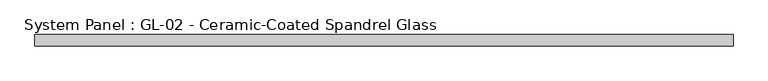
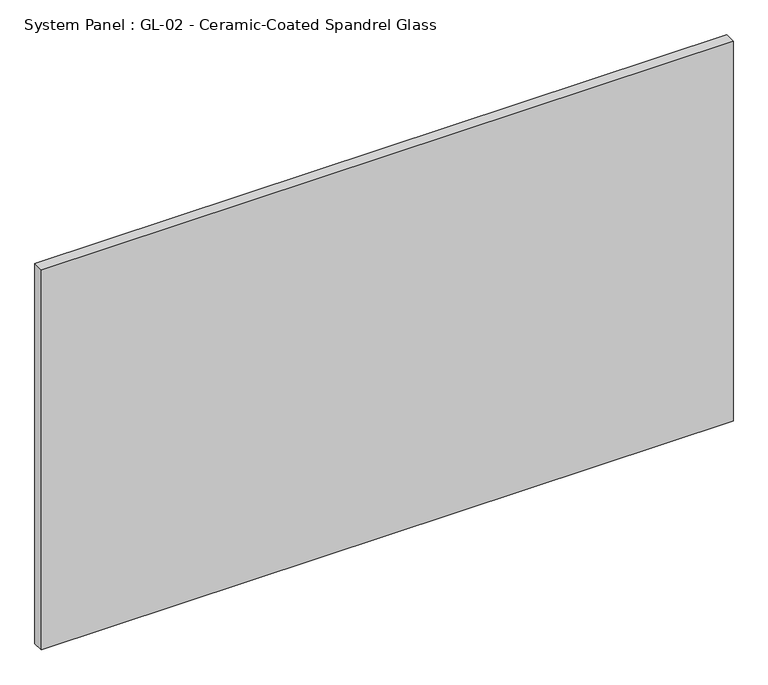
"""IFC4 building model written with IfcOpenShell, lengths in millimetres: plate geometry, System Panel : GL-02 - Ceramic-Coated Spandrel Glass."""

from ifc_helpers import new_model, si_unit, origin, origin_with_axes, place, context, project, spatial, polyline, outline, extrude, source, transform, mapped, element, save


def system_panel_gl_02_ceramic_coated_spandrel_glass_ac9be25a(model_context):
    return source(origin(), model_context, "Body", "SweptSolid", [
        extrude(outline(polyline([(779.4625, 19.05), (-779.4625, 19.05), (-779.4625, 44.45), (779.4625, 44.45), (779.4625, 19.05)])), origin_with_axes(), (0.0, 0.0, 1.0), 905.6076923),
    ])


if __name__ == "__main__":
    model = new_model("IFC4")
    model_context = context("Model", 3, world=origin())
    ifc_project = project(units=[si_unit("LENGTHUNIT", "METRE", prefix="MILLI")], contexts=[model_context])
    site = spatial("IfcSite", under=ifc_project)
    building = spatial("IfcBuilding", under=site)
    placement = place(None, origin())
    system_panel_gl_02_ceramic_coated_spandrel_glass_shape = system_panel_gl_02_ceramic_coated_spandrel_glass_ac9be25a(model_context)
    element("IfcPlate", 1, ObjectType="System Panel : GL-02 - Ceramic-Coated Spandrel Glass", at=placement, inside=building, context=model_context, shape_type="MappedRepresentation", body=[
        mapped(system_panel_gl_02_ceramic_coated_spandrel_glass_shape, transform((0.0, 0.0, 0.0), x_axis=(1.0, 0.0, 0.0), y_axis=(0.0, 1.0, 0.0), z_axis=(0.0, 0.0, 1.0))),
    ])
    save(model, "model.ifc")
